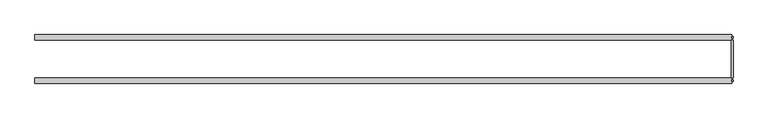
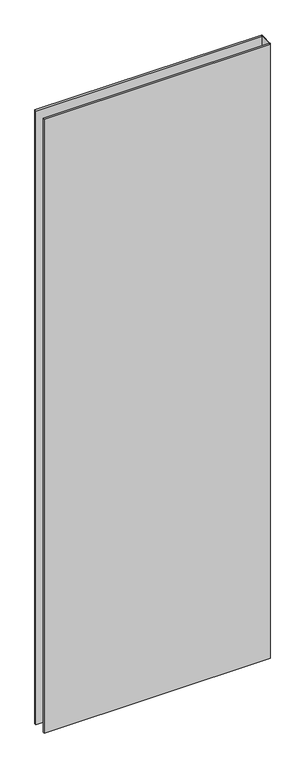
"""IFC4 building model written with IfcOpenShell, lengths in millimetres: plate geometry."""

from ifc_helpers import new_model, si_unit, origin, origin_with_axes, place, context, project, spatial, polyline, outline, extrude, source, transform, mapped, element, save


def plate_c4ce6d32(model_context):
    return source(origin(), model_context, "Body", "SweptSolid", [
        extrude(outline(polyline([(509.1082011, 27.7), (509.1082011, -27.7), (506.1082011, -27.7), (506.1082011, 27.7), (509.1082011, 27.7)])), origin_with_axes(), (0.0, 0.0, 1.0), 2915.0),
        extrude(outline(polyline([(507.1082011, 32.7), (509.1082011, 32.7), (509.1082011, 30.7), (507.1082011, 30.7), (507.1082011, 32.7)])), origin_with_axes(), (0.0, 0.0, 1.0), 2915.0),
        extrude(outline(polyline([(509.1082011, -30.7), (509.1082011, -32.7), (507.1082011, -32.7), (507.1082011, -30.7), (509.1082011, -30.7)])), origin_with_axes(), (0.0, 0.0, 1.0), 2915.0),
        extrude(outline(polyline([(507.1082011, 27.7), (-509.1082011, 27.7), (-509.1082011, 35.7), (507.1082011, 35.7), (507.1082011, 27.7)])), origin_with_axes(), (0.0, 0.0, 1.0), 2915.0),
        extrude(outline(polyline([(-509.1082011, -35.7), (-509.1082011, -27.7), (507.1082011, -27.7), (507.1082011, -35.7), (-509.1082011, -35.7)])), origin_with_axes(), (0.0, 0.0, 1.0), 2915.0),
    ])


if __name__ == "__main__":
    model = new_model("IFC4")
    model_context = context("Model", 3, world=origin())
    ifc_project = project(units=[si_unit("LENGTHUNIT", "METRE", prefix="MILLI")], contexts=[model_context])
    site = spatial("IfcSite", under=ifc_project)
    building = spatial("IfcBuilding", under=site)
    placement = place(None, origin())
    plate_shape = plate_c4ce6d32(model_context)
    element("IfcPlate", 1, at=placement, inside=building, context=model_context, shape_type="MappedRepresentation", body=[
        mapped(plate_shape, transform((0.0, 0.0, 0.0), x_axis=(1.0, 0.0, 0.0), y_axis=(0.0, 1.0, 0.0), z_axis=(0.0, 0.0, 1.0))),
    ])
    save(model, "model.ifc")
